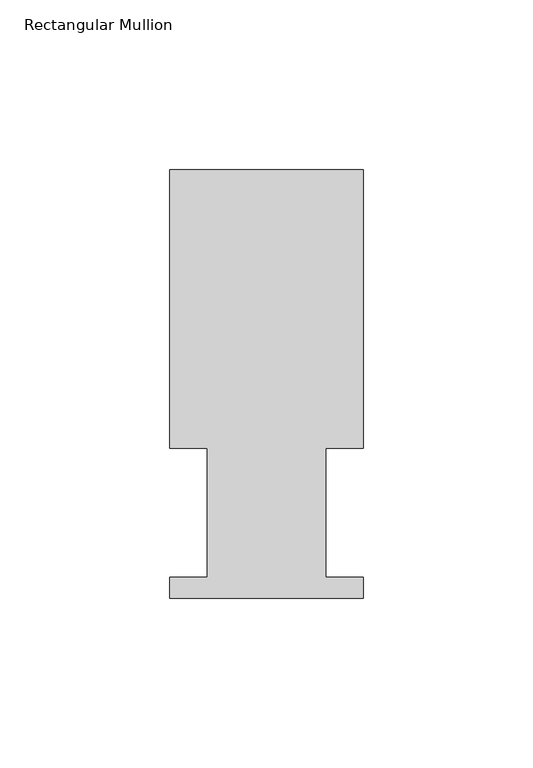
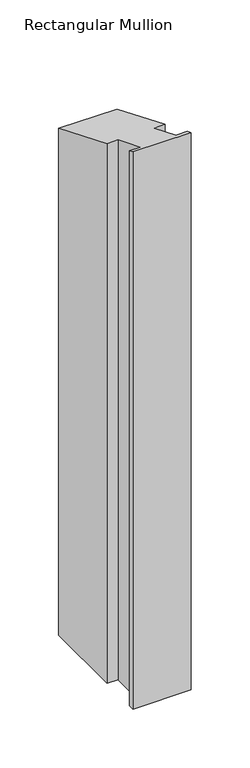
"""IFC4 building model written with IfcOpenShell, lengths in millimetres: member geometry, Rectangular Mullion."""

from ifc_helpers import new_model, si_unit, origin, place, context, project, spatial, faceted_brep, source, transform, mapped, element, save


def rectangular_mullion_3904dcd1(model_context):
    return source(origin(), model_context, "Body", "Brep", [
        faceted_brep([(0.0, 126.619, -578.5761906), (0.0, 44.45, -578.5761906), (-11.1120704, 44.45, -578.5761906), (-11.1120704, 6.35, -578.5761906), (0.0, 6.35, -578.5761906), (0.0, 0.2798837, -578.5761906), (-57.15, 0.2798837, -578.5761906), (-57.15, 6.35, -578.5761906), (-46.0370705, 6.35, -578.5761906), (-46.0370705, 44.45, -578.5761906), (-57.15, 44.45, -578.5761906), (-57.15, 126.619, -578.5761906), (-57.15, 126.619, -52.4473071), (0.0, 126.619, -52.4473071), (-57.15, 44.45, -18.4117928), (-46.0370705, 44.45, -18.4117928), (-46.0370705, 6.35, -2.6302561), (-57.15, 6.35, -2.6302561), (-57.15, 0.2798837, -0.1159316), (0.0, 0.2798837, -0.1159316), (0.0, 6.35, -2.6302561), (-11.1120704, 6.35, -2.6302561), (-11.1120704, 44.45, -18.4117928), (0.0, 44.45, -18.4117928)], [[[0, 1, 2, 3, 4, 5, 6, 7, 8, 9, 10, 11]], [[12, 13, 0, 11]], [[14, 12, 11, 10]], [[15, 14, 10, 9]], [[16, 15, 9, 8]], [[17, 16, 8, 7]], [[18, 17, 7, 6]], [[19, 18, 6, 5]], [[20, 19, 5, 4]], [[21, 20, 4, 3]], [[22, 21, 3, 2]], [[23, 22, 2, 1]], [[13, 23, 1, 0]], [[13, 12, 14, 15, 16, 17, 18, 19, 20, 21, 22, 23]]]),
    ])


if __name__ == "__main__":
    model = new_model("IFC4")
    model_context = context("Model", 3, world=origin())
    ifc_project = project(units=[si_unit("LENGTHUNIT", "METRE", prefix="MILLI")], contexts=[model_context])
    site = spatial("IfcSite", under=ifc_project)
    building = spatial("IfcBuilding", under=site)
    placement = place(None, origin())
    rectangular_mullion_shape = rectangular_mullion_3904dcd1(model_context)
    element("IfcMember", 1, ObjectType="Rectangular Mullion", at=placement, inside=building, context=model_context, shape_type="MappedRepresentation", body=[
        mapped(rectangular_mullion_shape, transform((0.0, 0.0, 0.0), x_axis=(1.0, 0.0, 0.0), y_axis=(0.0, 1.0, 0.0), z_axis=(0.0, 0.0, 1.0))),
    ])
    save(model, "model.ifc")
